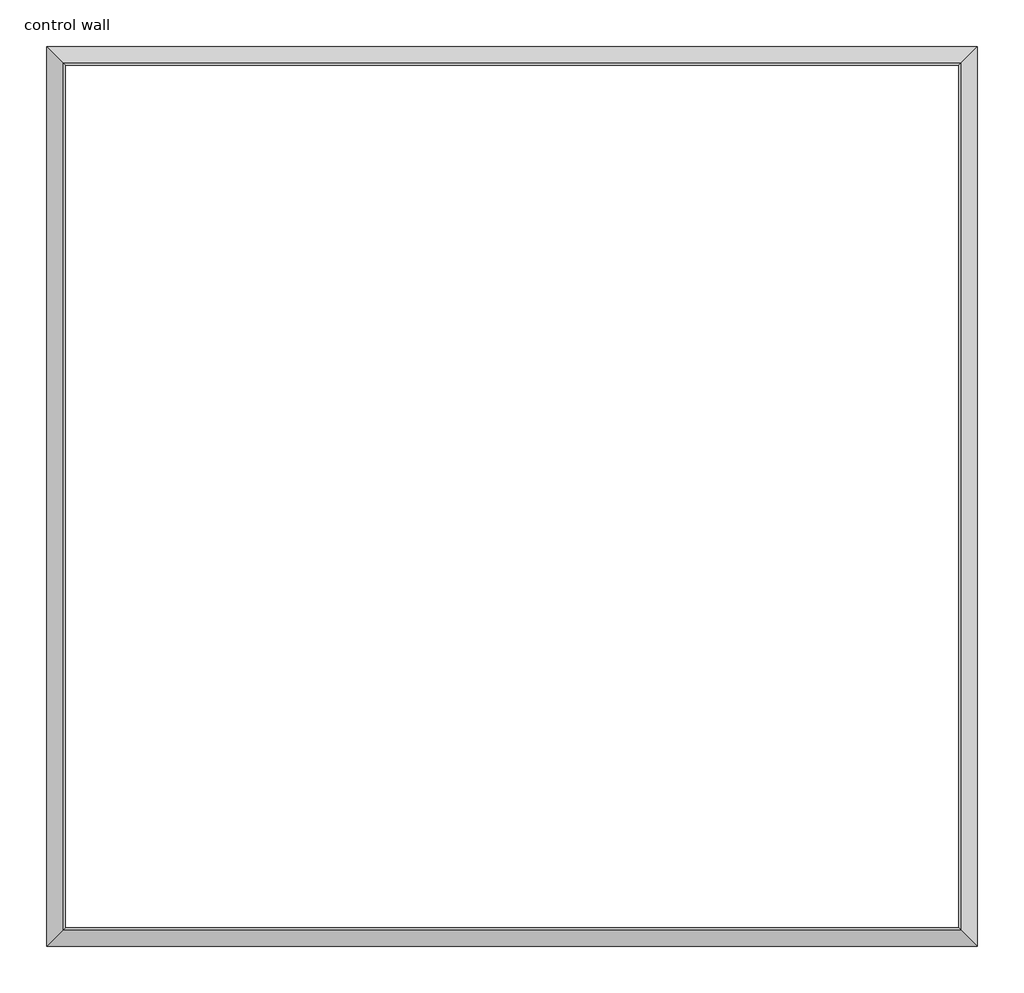
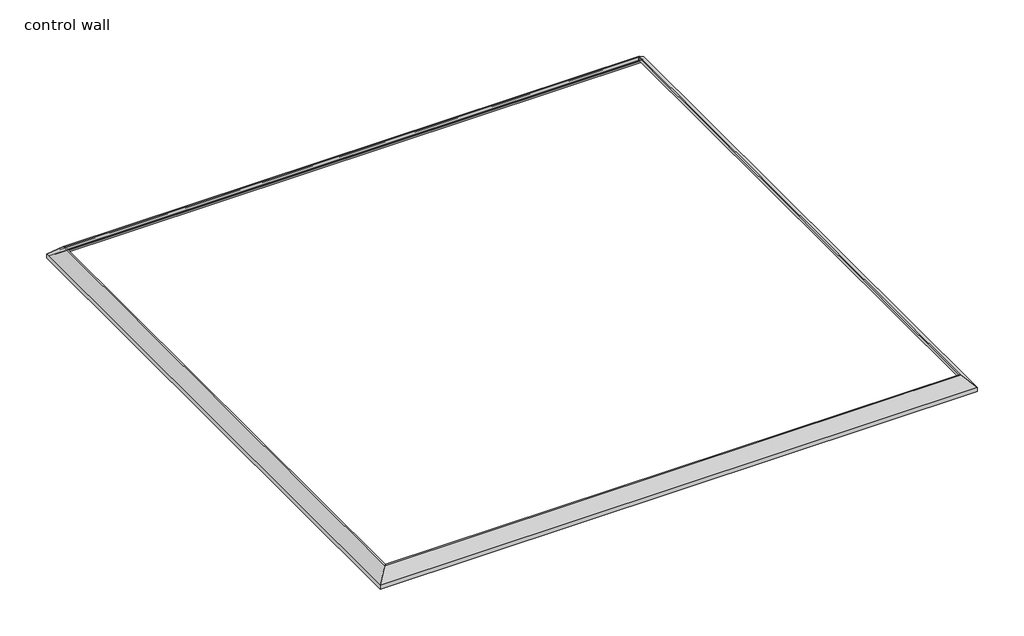
# One storey: 4 proxies.
"""IFC4 building model written with IfcOpenShell, lengths in millimetres."""

import ifcopenshell
import ifcopenshell.guid

model = None  # the IFC model being written
_history = None  # IfcOwnerHistory: only IFC2X3 demands one
_inside = {}  # id of a spatial element -> (the spatial element, [elements in it])
_under = {}  # id of a project, library or spatial element -> (it, [spatial elements below it])
_declared = {}  # id of a project -> (the project, [libraries it declares])
_typed = {}  # id of a type object -> (the type object, [elements of that type])
_made_of = {}  # id of a material, layer set ... -> (it, [elements and type objects made of it])


def new_model(schema):
    """Start an empty IFC model of exactly this schema.

    Asked for "IFC4X3", IfcOpenShell would pick the latest addendum, in which some entities
    have other attributes; the version numbers below select the first issue.
    IFC2X3 requires an IfcOwnerHistory on every rooted entity: one is made here for all.
    """
    global model, _history
    if schema == "IFC4X3":
        model = ifcopenshell.file(schema_version=(4, 3, 0, 0))
    else:
        model = ifcopenshell.file(schema=schema)
    _inside.clear()
    _under.clear()
    _declared.clear()
    _typed.clear()
    _made_of.clear()
    _history = None
    if model.schema == "IFC2X3":
        org = make("IfcOrganization", Name="unknown")
        user = make(
            "IfcPersonAndOrganization",
            ThePerson=make("IfcPerson", FamilyName="unknown"),
            TheOrganization=org,
        )
        app = make(
            "IfcApplication",
            ApplicationDeveloper=org,
            Version="unknown",
            ApplicationFullName="unknown",
            ApplicationIdentifier="unknown",
        )
        _history = make(
            "IfcOwnerHistory",
            OwningUser=user,
            OwningApplication=app,
            ChangeAction="ADDED",
            CreationDate=0,
        )
    return model


def make(cls, **values):
    """One entity of the class cls with the attributes given. An attribute that is None is left unset."""
    return model.create_entity(
        cls, **{name: value for name, value in values.items() if value is not None}
    )


def rooted(cls, **values):
    """An entity with a GlobalId (a new one), such as an element, a storey or a relation."""
    return make(cls, GlobalId=ifcopenshell.guid.new(), OwnerHistory=_history, **values)


def si_unit(unit_type, name, prefix=None):
    """IfcSIUnit, for example si_unit("LENGTHUNIT", "METRE", prefix="MILLI")."""
    return make("IfcSIUnit", UnitType=unit_type, Prefix=prefix, Name=name)


def assignment(units):
    """IfcUnitAssignment: the units of a project."""
    return None if units is None else make("IfcUnitAssignment", Units=units)


def point(xyz):
    """IfcCartesianPoint."""
    return None if xyz is None else make("IfcCartesianPoint", Coordinates=xyz)


def direction(xyz):
    """IfcDirection."""
    return None if xyz is None else make("IfcDirection", DirectionRatios=xyz)


def frame(location, z_axis=None, x_axis=None):
    """IfcAxis2Placement3D, a coordinate frame: its origin and axes. An axis left out is left unset."""
    return make(
        "IfcAxis2Placement3D",
        Location=point(location),
        Axis=direction(z_axis),
        RefDirection=direction(x_axis),
    )


def origin():
    """The frame at (0, 0, 0) with its axes left unset."""
    return frame((0.0, 0.0, 0.0))


def place(relative_to, where):
    """IfcLocalPlacement: puts the frame where relative to a parent placement (None: the world)."""
    return make(
        "IfcLocalPlacement", PlacementRelTo=relative_to, RelativePlacement=where
    )


def context(
    kind, dimensions, precision=None, world=None, true_north=None, identifier=None
):
    """IfcGeometricRepresentationContext, for example the 3D "Model" context."""
    return make(
        "IfcGeometricRepresentationContext",
        ContextIdentifier=identifier,
        ContextType=kind,
        CoordinateSpaceDimension=dimensions,
        Precision=precision,
        WorldCoordinateSystem=world,
        TrueNorth=true_north,
    )


def project(units=None, contexts=None):
    """IfcProject with its units and contexts."""
    return rooted(
        "IfcProject",
        Name="project",
        RepresentationContexts=contexts,
        UnitsInContext=assignment(units),
    )


def spatial(cls, under=None, at=None, **own):
    """A site, building, storey or space (cls), placed at a placement, below another one or the project."""
    s = rooted(cls, ObjectPlacement=at, **own)
    if under is not None:
        _under.setdefault(under.id(), (under, []))[1].append(s)
    return s


def polyline(points):
    """IfcPolyline through the points."""
    return make("IfcPolyline", Points=[point(p) for p in points])


def ellipse_curve(where, semi_axis1, semi_axis2):
    """IfcEllipse in the frame where."""
    return make(
        "IfcEllipse", Position=where, SemiAxis1=semi_axis1, SemiAxis2=semi_axis2
    )


def shape(context_of_items, identifier, shape_type, items):
    """IfcShapeRepresentation: the items that make up one representation, for example the "Body"."""
    return make(
        "IfcShapeRepresentation",
        ContextOfItems=context_of_items,
        RepresentationIdentifier=identifier,
        RepresentationType=shape_type,
        Items=items,
    )


def made_of(thing, what):
    """Note that an element or type object is made of a material, layer set ...; save() writes the relation."""
    if what is not None:
        _made_of.setdefault(what.id(), (what, []))[1].append(thing)
    return thing


def element(
    cls,
    number,
    at=None,
    inside=None,
    cuts=None,
    type_object=None,
    material=None,
    context=None,
    identifier="Body",
    shape_type=None,
    held_by="IfcProductDefinitionShape",
    body=None,
    shapes=None,
    **own,
):
    """One element of the class cls, such as IfcWall. Its Tag is "e" and its number.

    at: its placement. inside: the storey or other place that contains it. cuts: it is an
    opening in that element (IfcRelVoidsElement). A single representation is given by context,
    identifier, shape_type and body (its items); several are given by shapes. held_by: the class
    of the entity that holds the representations. save() writes the other relations.
    """
    e = rooted(cls, Tag="e%d" % number, ObjectPlacement=at, **own)
    if body is not None:
        shapes = [shape(context, identifier, shape_type, body)]
    if shapes is not None:
        e.Representation = make(held_by, Representations=shapes)
    if inside is not None:
        _inside.setdefault(inside.id(), (inside, []))[1].append(e)
    if cuts is not None:
        rooted(
            "IfcRelVoidsElement", RelatingBuildingElement=cuts, RelatedOpeningElement=e
        )
    if type_object is not None:
        _typed.setdefault(type_object.id(), (type_object, []))[1].append(e)
    return made_of(e, material)


def aggregate(whole, parts):
    """IfcRelAggregates: a whole, such as a stair, and the parts it consists of."""
    return rooted("IfcRelAggregates", RelatingObject=whole, RelatedObjects=parts)


def save(model, path):
    """Write the relations noted so far, then the file.

    IfcRelAggregates (storeys below a building ...), IfcRelContainedInSpatialStructure (elements
    in a storey), IfcRelDefinesByType, IfcRelAssociatesMaterial and IfcRelDeclares: one each for
    every whole, place, type object, material and project.
    """
    for whole, parts in _under.values():
        aggregate(whole, parts)
    for where, things in _inside.values():
        rooted(
            "IfcRelContainedInSpatialStructure",
            RelatedElements=things,
            RelatingStructure=where,
        )
    for kind, things in _typed.values():
        rooted("IfcRelDefinesByType", RelatedObjects=things, RelatingType=kind)
    for what, things in _made_of.values():
        rooted("IfcRelAssociatesMaterial", RelatedObjects=things, RelatingMaterial=what)
    for by, libraries in _declared.values():
        rooted("IfcRelDeclares", RelatingContext=by, RelatedDefinitions=libraries)
    model.write(path)


def plane_surface(at):
    """IfcPlane: the flat surface through the origin of the frame at, square to its z axis."""
    return make("IfcPlane", Position=at)


def cylinder_surface(at, radius):
    """IfcCylindricalSurface: all points at the distance radius from the z axis of the frame at."""
    return make("IfcCylindricalSurface", Position=at, Radius=radius)


def revolved_surface(curve, axis_point, axis_direction):
    """IfcSurfaceOfRevolution: the curve turned about the line through axis_point along axis_direction."""
    return make(
        "IfcSurfaceOfRevolution",
        SweptCurve=make("IfcArbitraryOpenProfileDef", ProfileType="CURVE", Curve=curve),
        AxisPosition=make("IfcAxis1Placement", Location=point(axis_point), Axis=direction(axis_direction)),
    )


def advanced_brep(points, edges, surfaces, faces):
    """IfcAdvancedBrep: a solid bounded by faces that lie on surfaces and meet in shared edges.

    An edge is (start, end): straight between two places in points (the first is 0);
    or (start, end, curve); or (start, end, curve, False) where it runs against its curve.
    A face is (place in surfaces, loops), or (place, loops, False) where it looks against
    its surface's normal. A loop lists edges by number (the first is 1), with a minus sign
    where the edge is run from its end to its start. The first loop is the outer one.
    """
    corners = [point(p) for p in points]
    vertices = [make("IfcVertexPoint", VertexGeometry=c) for c in corners]
    made = []
    for start, end, *more in edges:
        made.append(
            make(
                "IfcEdgeCurve",
                EdgeStart=vertices[start],
                EdgeEnd=vertices[end],
                EdgeGeometry=more[0] if more else make("IfcPolyline", Points=[corners[start], corners[end]]),
                SameSense=more[1] if len(more) > 1 else True,
            )
        )
    hull = []
    for where, loops, *sense in faces:
        bounds = []
        for j, loop in enumerate(loops):
            ring = [make("IfcOrientedEdge", EdgeElement=made[abs(k) - 1], Orientation=k > 0) for k in loop]
            bounds.append(
                make(
                    "IfcFaceOuterBound" if j == 0 else "IfcFaceBound",
                    Bound=make("IfcEdgeLoop", EdgeList=ring),
                    Orientation=True,
                )
            )
        hull.append(make("IfcAdvancedFace", Bounds=bounds, FaceSurface=surfaces[where], SameSense=sense[0] if sense else True))
    return make("IfcAdvancedBrep", Outer=make("IfcClosedShell", CfsFaces=hull))


model = new_model("IFC4")

# Units and contexts
model_context = context("Model", 3, world=origin())
ifc_project = project(units=[si_unit("LENGTHUNIT", "METRE", prefix="MILLI")], contexts=[model_context])

# Site, building, storey
site = spatial("IfcSite", under=ifc_project)
building = spatial("IfcBuilding", under=site)
storey = spatial("IfcBuildingStorey", under=building, Name="control wall", Elevation=2133.6)

# Proxies
placement = place(None, origin())
element("IfcBuildingElementProxy", 1, Name="Wall Sweeps", at=placement, inside=storey, context=model_context, shape_type="AdvancedBrep", body=[
    advanced_brep(
    [(14368.144233, -11174.9042011, 2982.9793892), (14368.144233, -11174.9042011, 2959.1), (14359.1639769, -11183.8844573, 2959.1), (14359.1639769, -11183.8844573, 2968.0802561), (14345.6935927, -11197.3548414, 2981.5506403), (14345.6935927, -11197.3548414, 2987.9006403), (14325.1689129, -11217.8795213, 3008.4253202), (14304.644233, -11238.4042011, 3028.95), (14295.0209242, -11248.0275099, 3028.95), (14295.0209242, -11248.0275099, 3048.0), (14303.1236222, -11239.924812, 3048.0), (14368.144233, -14698.8855582, 2982.9793892), (14303.1236222, -14633.8649474, 3048.0), (14295.0209242, -14625.7622494, 3048.0), (14295.0209242, -14625.7622494, 3028.95), (14304.644233, -14635.3855582, 3028.95), (14325.1689129, -14655.9102381, 3008.4253202), (14345.6935927, -14676.4349179, 2987.9006403), (14345.6935927, -14676.4349179, 2981.5506403), (14359.1639769, -14689.9053021, 2968.0802561), (14359.1639769, -14689.9053021, 2959.1), (14368.144233, -14698.8855582, 2959.1)],
    [
        (0, 1),
        (1, 2),
        (2, 3),
        (3, 4, ellipse_curve(frame((14345.6935927, -11197.3548414, 2968.0802561), z_axis=(0.7071067811865476, -0.7071067811865476, 0.0), x_axis=(-0.7071067811865477, -0.7071067811865474, 0.0)), 19.05, 13.4703842)),
        (4, 5),
        (5, 6, ellipse_curve(frame((14345.6935927, -11197.3548414, 3008.4253202), z_axis=(-0.7071067811865476, 0.7071067811865476, 0.0), x_axis=(0.7071067811865477, 0.7071067811865474, 0.0)), 29.0262806, 20.5246798)),
        (6, 7, ellipse_curve(frame((14304.644233, -11238.4042011, 3008.4253202), z_axis=(0.7071067811865476, -0.7071067811865476, 0.0), x_axis=(-0.7071067811865477, -0.7071067811865474, 0.0)), 29.0262806, 20.5246798)),
        (7, 8),
        (8, 9),
        (9, 10),
        (10, 0),
        (11, 12),
        (12, 13),
        (13, 14),
        (14, 15),
        (15, 16, ellipse_curve(frame((14304.644233, -14635.3855582, 3008.4253202), z_axis=(0.7071067811865476, 0.7071067811865476, 0.0), x_axis=(0.7071067811865476, -0.7071067811865475, 0.0)), 29.0262806, 20.5246798)),
        (16, 17, ellipse_curve(frame((14345.6935927, -14676.4349179, 3008.4253202), z_axis=(-0.7071067811865476, -0.7071067811865476, 0.0), x_axis=(-0.7071067811865476, 0.7071067811865475, 0.0)), 29.0262806, 20.5246798)),
        (17, 18),
        (18, 19, ellipse_curve(frame((14345.6935927, -14676.4349179, 2968.0802561), z_axis=(0.7071067811865476, 0.7071067811865476, 0.0), x_axis=(0.7071067811865476, -0.7071067811865475, 0.0)), 19.05, 13.4703842)),
        (19, 20),
        (20, 21),
        (21, 11),
        (0, 11),
        (21, 1),
        (20, 2),
        (19, 3),
        (18, 4),
        (17, 5),
        (16, 6),
        (15, 7),
        (14, 8),
        (13, 9),
        (12, 10),
    ],
    [
        plane_surface(frame((14368.144233, -11174.9042011, 3263.9), z_axis=(-0.7071067811865476, 0.7071067811865476, 0.0), x_axis=(-0.7071067811865476, -0.7071067811865476, 0.0))),
        plane_surface(frame((14368.144233, -14698.8855582, 3263.9), z_axis=(-0.7071067811865476, -0.7071067811865476, 0.0), x_axis=(-0.7071067811865476, 0.7071067811865476, 0.0))),
        plane_surface(frame((14368.144233, -11174.9042011, 2982.9793892), z_axis=(1.0, 0.0, 0.0), x_axis=(0.0, -1.0, 0.0))),
        plane_surface(frame((14368.144233, -11174.9042011, 2959.1), z_axis=(0.0, 0.0, -1.0), x_axis=(0.0, -1.0, 0.0))),
        plane_surface(frame((14359.1639769, -11183.8844573, 2959.1), z_axis=(-1.0, 0.0, 0.0), x_axis=(0.0, -1.0, 0.0))),
        revolved_surface(polyline([(14332.2232085, -14689.9053021, 2968.0802561), (14332.2232085, -11183.884457218395, 2968.0802561)]), (14345.6935927, -11174.9042011, 2968.0802561), (0.0, -1.0, 0.0)),
        plane_surface(frame((14345.6935927, -11197.3548414, 2981.5506403), z_axis=(-1.0, 0.0, 0.0), x_axis=(0.0, -1.0, 0.0))),
        cylinder_surface(frame((14345.6935927, -11174.9042011, 3008.4253202), z_axis=(0.0, 1.0, 0.0), x_axis=(-1.0, 0.0, 0.0)), 20.5246798),
        revolved_surface(polyline([(14284.1195532, -14655.9102381, 3008.4253202), (14284.1195532, -11217.879521255116, 3008.4253202)]), (14304.644233, -11174.9042011, 3008.4253202), (0.0, -1.0, 0.0)),
        plane_surface(frame((14304.644233, -11238.4042011, 3028.95), z_axis=(0.0, 0.0, -1.0), x_axis=(0.0, -1.0, 0.0))),
        plane_surface(frame((14295.0209242, -11248.0275099, 3028.95), z_axis=(-1.0, 0.0, 0.0), x_axis=(0.0, -1.0, 0.0))),
        plane_surface(frame((14295.0209242, -11248.0275099, 3048.0), z_axis=(0.0, 0.0, 1.0), x_axis=(0.0, -1.0, 0.0))),
        plane_surface(frame((14303.1236222, -11239.924812, 3048.0), z_axis=(0.707106781186547, 0.0, 0.707106781186548), x_axis=(0.0, -1.0, 0.0))),
    ],
    [
        (0, [[1, 2, 3, 4, 5, 6, 7, 8, 9, 10, 11]]),
        (1, [[12, 13, 14, 15, 16, 17, 18, 19, 20, 21, 22]]),
        (2, [[-1, 23, -22, 24]]),
        (3, [[-2, -24, -21, 25]]),
        (4, [[-3, -25, -20, 26]]),
        (5, [[-4, -26, -19, 27]]),
        (6, [[-5, -27, -18, 28]]),
        (7, [[-6, -28, -17, 29]]),
        (8, [[-7, -29, -16, 30]]),
        (9, [[-8, -30, -15, 31]]),
        (10, [[-9, -31, -14, 32]]),
        (11, [[-10, -32, -13, 33]]),
        (12, [[-11, -33, -12, -23]]),
    ],
),
])
element("IfcBuildingElementProxy", 2, Name="Wall Sweeps", at=placement, inside=storey, context=model_context, shape_type="AdvancedBrep", body=[
    advanced_brep(
    [(10724.286044, -11174.9042011, 2982.9793892), (10724.286044, -11174.9042011, 2959.1), (10733.2663001, -11183.8844573, 2959.1), (10733.2663001, -11183.8844573, 2968.0802561), (10746.7366843, -11197.3548414, 2981.5506403), (10746.7366843, -11197.3548414, 2987.9006403), (10767.2613641, -11217.8795213, 3008.4253202), (10787.786044, -11238.4042011, 3028.95), (10797.4093528, -11248.0275099, 3028.95), (10797.4093528, -11248.0275099, 3048.0), (10789.3066548, -11239.924812, 3048.0), (14368.144233, -11174.9042011, 2982.9793892), (14303.1236222, -11239.924812, 3048.0), (14295.0209242, -11248.0275099, 3048.0), (14295.0209242, -11248.0275099, 3028.95), (14304.644233, -11238.4042011, 3028.95), (14325.1689129, -11217.8795213, 3008.4253202), (14345.6935927, -11197.3548414, 2987.9006403), (14345.6935927, -11197.3548414, 2981.5506403), (14359.1639769, -11183.8844573, 2968.0802561), (14359.1639769, -11183.8844573, 2959.1), (14368.144233, -11174.9042011, 2959.1)],
    [
        (0, 1),
        (1, 2),
        (2, 3),
        (3, 4, ellipse_curve(frame((10746.7366843, -11197.3548414, 2968.0802561), z_axis=(0.7071067811865476, 0.7071067811865476, 0.0), x_axis=(0.7071067811865474, -0.7071067811865476, 0.0)), 19.05, 13.4703842)),
        (4, 5),
        (5, 6, ellipse_curve(frame((10746.7366843, -11197.3548414, 3008.4253202), z_axis=(-0.7071067811865476, -0.7071067811865476, 0.0), x_axis=(-0.7071067811865474, 0.7071067811865476, 0.0)), 29.0262806, 20.5246798)),
        (6, 7, ellipse_curve(frame((10787.786044, -11238.4042011, 3008.4253202), z_axis=(0.7071067811865476, 0.7071067811865476, 0.0), x_axis=(0.7071067811865474, -0.7071067811865476, 0.0)), 29.0262806, 20.5246798)),
        (7, 8),
        (8, 9),
        (9, 10),
        (10, 0),
        (11, 12),
        (12, 13),
        (13, 14),
        (14, 15),
        (15, 16, ellipse_curve(frame((14304.644233, -11238.4042011, 3008.4253202), z_axis=(-0.7071067811865476, 0.7071067811865476, 0.0), x_axis=(0.7071067811865475, 0.7071067811865477, 0.0)), 29.0262806, 20.5246798)),
        (16, 17, ellipse_curve(frame((14345.6935927, -11197.3548414, 3008.4253202), z_axis=(0.7071067811865476, -0.7071067811865476, 0.0), x_axis=(-0.7071067811865475, -0.7071067811865477, 0.0)), 29.0262806, 20.5246798)),
        (17, 18),
        (18, 19, ellipse_curve(frame((14345.6935927, -11197.3548414, 2968.0802561), z_axis=(-0.7071067811865476, 0.7071067811865476, 0.0), x_axis=(0.7071067811865475, 0.7071067811865477, 0.0)), 19.05, 13.4703842)),
        (19, 20),
        (20, 21),
        (21, 11),
        (0, 11),
        (21, 1),
        (20, 2),
        (19, 3),
        (18, 4),
        (17, 5),
        (16, 6),
        (15, 7),
        (14, 8),
        (13, 9),
        (12, 10),
    ],
    [
        plane_surface(frame((10724.286044, -11174.9042011, 3263.9), z_axis=(-0.7071067811865476, -0.7071067811865476, 0.0), x_axis=(0.7071067811865476, -0.7071067811865476, 0.0))),
        plane_surface(frame((14368.144233, -11174.9042011, 3263.9), z_axis=(0.7071067811865476, -0.7071067811865476, 0.0), x_axis=(-0.7071067811865476, -0.7071067811865476, 0.0))),
        plane_surface(frame((10724.286044, -11174.9042011, 2982.9793892), z_axis=(0.0, 1.0, 0.0), x_axis=(1.0, 0.0, 0.0))),
        plane_surface(frame((10724.286044, -11174.9042011, 2959.1), z_axis=(0.0, 0.0, -1.0), x_axis=(1.0, 0.0, 0.0))),
        plane_surface(frame((10733.2663001, -11183.8844573, 2959.1), z_axis=(0.0, -1.0, 0.0), x_axis=(1.0, 0.0, 0.0))),
        revolved_surface(polyline([(14359.1639769, -11210.8252256, 2968.0802561), (10733.2663001, -11210.8252256, 2968.0802561)]), (10724.286044, -11197.3548414, 2968.0802561), (1.0, 0.0, 0.0)),
        plane_surface(frame((10746.7366843, -11197.3548414, 2981.5506403), z_axis=(0.0, -1.0, 0.0), x_axis=(1.0, 0.0, 0.0))),
        cylinder_surface(frame((10724.286044, -11197.3548414, 3008.4253202), z_axis=(-1.0, 0.0, 0.0), x_axis=(0.0, -1.0, 0.0)), 20.5246798),
        revolved_surface(polyline([(14325.1689129, -11258.9288809, 3008.4253202), (10767.2613641, -11258.9288809, 3008.4253202)]), (10724.286044, -11238.4042011, 3008.4253202), (1.0, 0.0, 0.0)),
        plane_surface(frame((10787.786044, -11238.4042011, 3028.95), z_axis=(0.0, 0.0, -1.0), x_axis=(1.0, 0.0, 0.0))),
        plane_surface(frame((10797.4093528, -11248.0275099, 3028.95), z_axis=(0.0, -1.0, 0.0), x_axis=(1.0, 0.0, 0.0))),
        plane_surface(frame((10797.4093528, -11248.0275099, 3048.0), z_axis=(0.0, 0.0, 1.0), x_axis=(1.0, 0.0, 0.0))),
        plane_surface(frame((10789.3066548, -11239.924812, 3048.0), z_axis=(0.0, 0.707106781186547, 0.707106781186548), x_axis=(1.0, 0.0, 0.0))),
    ],
    [
        (0, [[1, 2, 3, 4, 5, 6, 7, 8, 9, 10, 11]]),
        (1, [[12, 13, 14, 15, 16, 17, 18, 19, 20, 21, 22]]),
        (2, [[-1, 23, -22, 24]]),
        (3, [[-2, -24, -21, 25]]),
        (4, [[-3, -25, -20, 26]]),
        (5, [[-4, -26, -19, 27]]),
        (6, [[-5, -27, -18, 28]]),
        (7, [[-6, -28, -17, 29]]),
        (8, [[-7, -29, -16, 30]]),
        (9, [[-8, -30, -15, 31]]),
        (10, [[-9, -31, -14, 32]]),
        (11, [[-10, -32, -13, 33]]),
        (12, [[-11, -33, -12, -23]]),
    ],
),
])
element("IfcBuildingElementProxy", 3, Name="Wall Sweeps", at=placement, inside=storey, context=model_context, shape_type="AdvancedBrep", body=[
    advanced_brep(
    [(10724.286044, -11174.9042011, 2982.9793892), (10789.3066548, -11239.924812, 3048.0), (10797.4093528, -11248.0275099, 3048.0), (10797.4093528, -11248.0275099, 3028.95), (10787.786044, -11238.4042011, 3028.95), (10767.2613641, -11217.8795213, 3008.4253202), (10746.7366843, -11197.3548414, 2987.9006403), (10746.7366843, -11197.3548414, 2981.5506403), (10733.2663001, -11183.8844573, 2968.0802561), (10733.2663001, -11183.8844573, 2959.1), (10724.286044, -11174.9042011, 2959.1), (10724.286044, -14698.8855582, 2982.9793892), (10724.286044, -14698.8855582, 2959.1), (10733.2663001, -14689.9053021, 2959.1), (10733.2663001, -14689.9053021, 2968.0802561), (10746.7366843, -14676.4349179, 2981.5506403), (10746.7366843, -14676.4349179, 2987.9006403), (10767.2613641, -14655.9102381, 3008.4253202), (10787.786044, -14635.3855582, 3028.95), (10797.4093528, -14625.7622494, 3028.95), (10797.4093528, -14625.7622494, 3048.0), (10789.3066548, -14633.8649474, 3048.0)],
    [
        (0, 1),
        (1, 2),
        (2, 3),
        (3, 4),
        (4, 5, ellipse_curve(frame((10787.786044, -11238.4042011, 3008.4253202), z_axis=(-0.7071067811865476, -0.7071067811865476, 0.0), x_axis=(0.7071067811865476, -0.7071067811865475, 0.0)), 29.0262806, 20.5246798)),
        (5, 6, ellipse_curve(frame((10746.7366843, -11197.3548414, 3008.4253202), z_axis=(0.7071067811865476, 0.7071067811865476, 0.0), x_axis=(-0.7071067811865476, 0.7071067811865475, 0.0)), 29.0262806, 20.5246798)),
        (6, 7),
        (7, 8, ellipse_curve(frame((10746.7366843, -11197.3548414, 2968.0802561), z_axis=(-0.7071067811865476, -0.7071067811865476, 0.0), x_axis=(0.7071067811865476, -0.7071067811865475, 0.0)), 19.05, 13.4703842)),
        (8, 9),
        (9, 10),
        (10, 0),
        (11, 12),
        (12, 13),
        (13, 14),
        (14, 15, ellipse_curve(frame((10746.7366843, -14676.4349179, 2968.0802561), z_axis=(-0.7071067811865476, 0.7071067811865476, 0.0), x_axis=(-0.7071067811865476, -0.7071067811865475, 0.0)), 19.05, 13.4703842)),
        (15, 16),
        (16, 17, ellipse_curve(frame((10746.7366843, -14676.4349179, 3008.4253202), z_axis=(0.7071067811865476, -0.7071067811865476, 0.0), x_axis=(0.7071067811865476, 0.7071067811865475, 0.0)), 29.0262806, 20.5246798)),
        (17, 18, ellipse_curve(frame((10787.786044, -14635.3855582, 3008.4253202), z_axis=(-0.7071067811865476, 0.7071067811865476, 0.0), x_axis=(-0.7071067811865476, -0.7071067811865475, 0.0)), 29.0262806, 20.5246798)),
        (18, 19),
        (19, 20),
        (20, 21),
        (21, 11),
        (10, 12),
        (11, 0),
        (9, 13),
        (8, 14),
        (7, 15),
        (6, 16),
        (5, 17),
        (4, 18),
        (3, 19),
        (2, 20),
        (1, 21),
    ],
    [
        plane_surface(frame((10724.286044, -11174.9042011, 2654.3), z_axis=(0.7071067811865476, 0.7071067811865476, 0.0), x_axis=(0.7071067811865476, -0.7071067811865476, 0.0))),
        plane_surface(frame((10724.286044, -14698.8855582, 2654.3), z_axis=(0.7071067811865476, -0.7071067811865476, 0.0), x_axis=(0.7071067811865476, 0.7071067811865476, 0.0))),
        plane_surface(frame((10724.286044, -11174.9042011, 2959.1), z_axis=(-1.0, 0.0, 0.0), x_axis=(0.0, -1.0, 0.0))),
        plane_surface(frame((10733.2663001, -11183.8844573, 2959.1), z_axis=(0.0, 0.0, -1.0), x_axis=(0.0, -1.0, 0.0))),
        plane_surface(frame((10733.2663001, -11183.8844573, 2968.0802561), z_axis=(1.0, 0.0, 0.0), x_axis=(0.0, -1.0, 0.0))),
        revolved_surface(polyline([(10760.2070685, -14689.9053021, 2968.0802561), (10760.2070685, -11183.884457218395, 2968.0802561)]), (10746.7366843, -11174.9042011, 2968.0802561), (0.0, -1.0, 0.0)),
        plane_surface(frame((10746.7366843, -11197.3548414, 2987.9006403), z_axis=(1.0, 0.0, 0.0), x_axis=(0.0, -1.0, 0.0))),
        cylinder_surface(frame((10746.7366843, -11174.9042011, 3008.4253202), z_axis=(0.0, 1.0, 0.0), x_axis=(1.0, 0.0, 0.0)), 20.5246798),
        revolved_surface(polyline([(10808.310723800001, -14655.9102381, 3008.4253202), (10808.310723800001, -11217.879521255116, 3008.4253202)]), (10787.786044, -11174.9042011, 3008.4253202), (0.0, -1.0, 0.0)),
        plane_surface(frame((10797.4093528, -11248.0275099, 3028.95), z_axis=(0.0, 0.0, -1.0), x_axis=(0.0, -1.0, 0.0))),
        plane_surface(frame((10797.4093528, -11248.0275099, 3048.0), z_axis=(1.0, 0.0, 0.0), x_axis=(0.0, -1.0, 0.0))),
        plane_surface(frame((10789.3066548, -11239.924812, 3048.0), z_axis=(0.0, 0.0, 1.0), x_axis=(0.0, -1.0, 0.0))),
        plane_surface(frame((10724.286044, -11174.9042011, 2982.9793892), z_axis=(-0.707106781186547, 0.0, 0.707106781186548), x_axis=(0.0, -1.0, 0.0))),
    ],
    [
        (0, [[1, 2, 3, 4, 5, 6, 7, 8, 9, 10, 11]]),
        (1, [[12, 13, 14, 15, 16, 17, 18, 19, 20, 21, 22]]),
        (2, [[-11, 23, -12, 24]]),
        (3, [[-10, 25, -13, -23]]),
        (4, [[-9, 26, -14, -25]]),
        (5, [[-8, 27, -15, -26]]),
        (6, [[-7, 28, -16, -27]]),
        (7, [[-6, 29, -17, -28]]),
        (8, [[-5, 30, -18, -29]]),
        (9, [[-4, 31, -19, -30]]),
        (10, [[-3, 32, -20, -31]]),
        (11, [[-2, 33, -21, -32]]),
        (12, [[-1, -24, -22, -33]]),
    ],
),
])
element("IfcBuildingElementProxy", 4, Name="Wall Sweeps", at=placement, inside=storey, context=model_context, shape_type="AdvancedBrep", body=[
    advanced_brep(
    [(14368.144233, -14698.8855582, 2982.9793892), (14368.144233, -14698.8855582, 2959.1), (14359.1639769, -14689.9053021, 2959.1), (14359.1639769, -14689.9053021, 2968.0802561), (14345.6935927, -14676.4349179, 2981.5506403), (14345.6935927, -14676.4349179, 2987.9006403), (14325.1689129, -14655.9102381, 3008.4253202), (14304.644233, -14635.3855582, 3028.95), (14295.0209242, -14625.7622494, 3028.95), (14295.0209242, -14625.7622494, 3048.0), (14303.1236222, -14633.8649474, 3048.0), (10724.286044, -14698.8855582, 2982.9793892), (10789.3066548, -14633.8649474, 3048.0), (10797.4093528, -14625.7622494, 3048.0), (10797.4093528, -14625.7622494, 3028.95), (10787.786044, -14635.3855582, 3028.95), (10767.2613641, -14655.9102381, 3008.4253202), (10746.7366843, -14676.4349179, 2987.9006403), (10746.7366843, -14676.4349179, 2981.5506403), (10733.2663001, -14689.9053021, 2968.0802561), (10733.2663001, -14689.9053021, 2959.1), (10724.286044, -14698.8855582, 2959.1)],
    [
        (0, 1),
        (1, 2),
        (2, 3),
        (3, 4, ellipse_curve(frame((14345.6935927, -14676.4349179, 2968.0802561), z_axis=(-0.7071067811865476, -0.7071067811865476, 0.0), x_axis=(-0.7071067811865476, 0.7071067811865476, 0.0)), 19.05, 13.4703842)),
        (4, 5),
        (5, 6, ellipse_curve(frame((14345.6935927, -14676.4349179, 3008.4253202), z_axis=(0.7071067811865476, 0.7071067811865476, 0.0), x_axis=(0.7071067811865476, -0.7071067811865476, 0.0)), 29.0262806, 20.5246798)),
        (6, 7, ellipse_curve(frame((14304.644233, -14635.3855582, 3008.4253202), z_axis=(-0.7071067811865476, -0.7071067811865476, 0.0), x_axis=(-0.7071067811865476, 0.7071067811865476, 0.0)), 29.0262806, 20.5246798)),
        (7, 8),
        (8, 9),
        (9, 10),
        (10, 0),
        (11, 12),
        (12, 13),
        (13, 14),
        (14, 15),
        (15, 16, ellipse_curve(frame((10787.786044, -14635.3855582, 3008.4253202), z_axis=(0.7071067811865476, -0.7071067811865476, 0.0), x_axis=(-0.7071067811865474, -0.7071067811865477, 0.0)), 29.0262806, 20.5246798)),
        (16, 17, ellipse_curve(frame((10746.7366843, -14676.4349179, 3008.4253202), z_axis=(-0.7071067811865476, 0.7071067811865476, 0.0), x_axis=(0.7071067811865474, 0.7071067811865477, 0.0)), 29.0262806, 20.5246798)),
        (17, 18),
        (18, 19, ellipse_curve(frame((10746.7366843, -14676.4349179, 2968.0802561), z_axis=(0.7071067811865476, -0.7071067811865476, 0.0), x_axis=(-0.7071067811865474, -0.7071067811865477, 0.0)), 19.05, 13.4703842)),
        (19, 20),
        (20, 21),
        (21, 11),
        (0, 11),
        (21, 1),
        (20, 2),
        (19, 3),
        (18, 4),
        (17, 5),
        (16, 6),
        (15, 7),
        (14, 8),
        (13, 9),
        (12, 10),
    ],
    [
        plane_surface(frame((14368.144233, -14698.8855582, 3263.9), z_axis=(0.7071067811865476, 0.7071067811865476, 0.0), x_axis=(-0.7071067811865476, 0.7071067811865476, 0.0))),
        plane_surface(frame((10724.286044, -14698.8855582, 3263.9), z_axis=(-0.7071067811865476, 0.7071067811865476, 0.0), x_axis=(0.7071067811865476, 0.7071067811865476, 0.0))),
        plane_surface(frame((14368.144233, -14698.8855582, 2982.9793892), z_axis=(0.0, -1.0, 0.0), x_axis=(-1.0, 0.0, 0.0))),
        plane_surface(frame((14368.144233, -14698.8855582, 2959.1), z_axis=(0.0, 0.0, -1.0), x_axis=(-1.0, 0.0, 0.0))),
        plane_surface(frame((14359.1639769, -14689.9053021, 2959.1), z_axis=(0.0, 1.0, 0.0), x_axis=(-1.0, 0.0, 0.0))),
        revolved_surface(polyline([(10733.2663001, -14662.9645337, 2968.0802561), (14359.1639769, -14662.9645337, 2968.0802561)]), (14368.144233, -14676.4349179, 2968.0802561), (-1.0, 0.0, 0.0)),
        plane_surface(frame((14345.6935927, -14676.4349179, 2981.5506403), z_axis=(0.0, 1.0, 0.0), x_axis=(-1.0, 0.0, 0.0))),
        cylinder_surface(frame((14368.144233, -14676.4349179, 3008.4253202), z_axis=(1.0, 0.0, 0.0), x_axis=(0.0, 1.0, 0.0)), 20.5246798),
        revolved_surface(polyline([(10767.2613641, -14614.860878399999, 3008.4253202), (14325.1689129, -14614.860878399999, 3008.4253202)]), (14368.144233, -14635.3855582, 3008.4253202), (-1.0, 0.0, 0.0)),
        plane_surface(frame((14304.644233, -14635.3855582, 3028.95), z_axis=(0.0, 0.0, -1.0), x_axis=(-1.0, 0.0, 0.0))),
        plane_surface(frame((14295.0209242, -14625.7622494, 3028.95), z_axis=(0.0, 1.0, 0.0), x_axis=(-1.0, 0.0, 0.0))),
        plane_surface(frame((14295.0209242, -14625.7622494, 3048.0), z_axis=(0.0, 0.0, 1.0), x_axis=(-1.0, 0.0, 0.0))),
        plane_surface(frame((14303.1236222, -14633.8649474, 3048.0), z_axis=(0.0, -0.707106781186547, 0.707106781186548), x_axis=(-1.0, 0.0, 0.0))),
    ],
    [
        (0, [[1, 2, 3, 4, 5, 6, 7, 8, 9, 10, 11]]),
        (1, [[12, 13, 14, 15, 16, 17, 18, 19, 20, 21, 22]]),
        (2, [[-1, 23, -22, 24]]),
        (3, [[-2, -24, -21, 25]]),
        (4, [[-3, -25, -20, 26]]),
        (5, [[-4, -26, -19, 27]]),
        (6, [[-5, -27, -18, 28]]),
        (7, [[-6, -28, -17, 29]]),
        (8, [[-7, -29, -16, 30]]),
        (9, [[-8, -30, -15, 31]]),
        (10, [[-9, -31, -14, 32]]),
        (11, [[-10, -32, -13, 33]]),
        (12, [[-11, -33, -12, -23]]),
    ],
),
])

save(model, "model.ifc")
